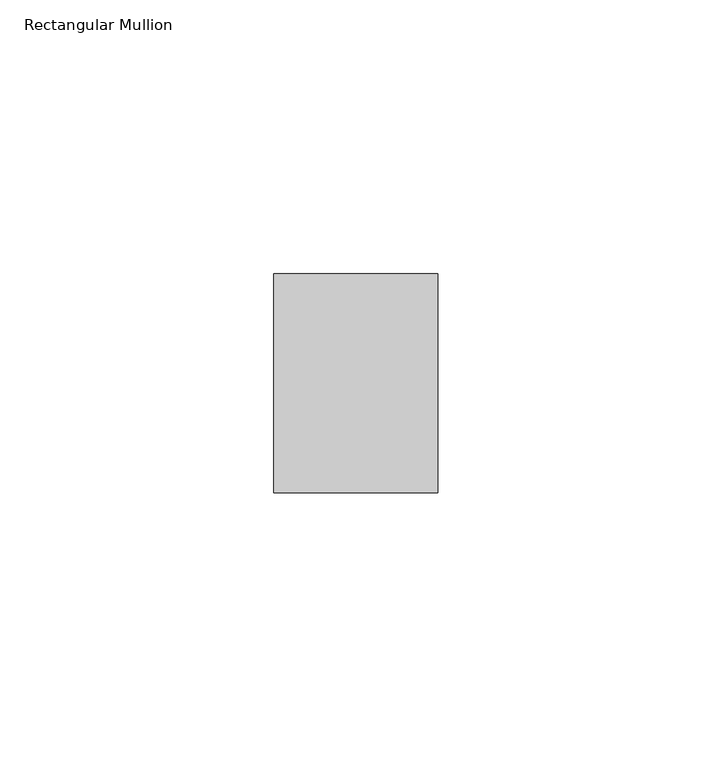
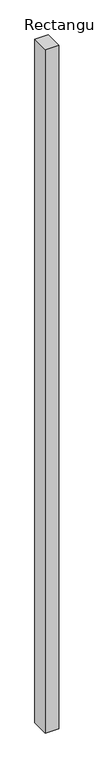
"""IFC4 building model written with IfcOpenShell, lengths in millimetres: member geometry, Rectangular Mullion."""

from ifc_helpers import new_model, si_unit, frame, origin, place, context, project, spatial, polyline, outline, extrude, source, transform, mapped, element, save


def rectangular_mullion_4caa4ae6(model_context):
    return source(origin(), model_context, "Body", "SweptSolid", [
        extrude(outline(polyline([(0.0, 52.0), (0.0, 12.0), (-30.0, 12.0), (-30.0, 52.0), (0.0, 52.0)])), frame((0.0, 0.0, -1599.9999998), z_axis=(0.0, 0.0, 1.0), x_axis=(1.0, 0.0, 0.0)), (0.0, 0.0, 1.0), 1599.9999998),
    ])


if __name__ == "__main__":
    model = new_model("IFC4")
    model_context = context("Model", 3, world=origin())
    ifc_project = project(units=[si_unit("LENGTHUNIT", "METRE", prefix="MILLI")], contexts=[model_context])
    site = spatial("IfcSite", under=ifc_project)
    building = spatial("IfcBuilding", under=site)
    placement = place(None, origin())
    rectangular_mullion_shape = rectangular_mullion_4caa4ae6(model_context)
    element("IfcMember", 1, ObjectType="Rectangular Mullion", at=placement, inside=building, context=model_context, shape_type="MappedRepresentation", body=[
        mapped(rectangular_mullion_shape, transform((0.0, 0.0, 0.0), x_axis=(1.0, 0.0, 0.0), y_axis=(0.0, 1.0, 0.0), z_axis=(0.0, 0.0, 1.0))),
    ])
    save(model, "model.ifc")
